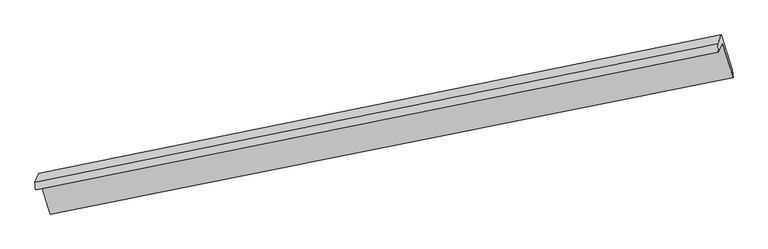
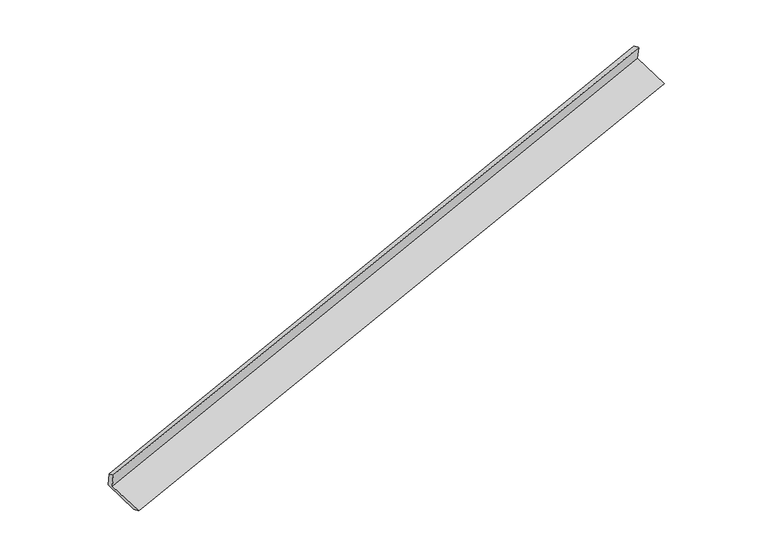
"""IFC4 building model written with IfcOpenShell, lengths in millimetres: proxy geometry."""

from ifc_helpers import new_model, si_unit, frame, origin, place, context, project, spatial, source, transform, mapped, element, save
from ifc_brep_helpers import plane_surface, spline_surface, advanced_brep


def generic_models_2fdd62fc(model_context):
    return source(origin(), model_context, "Body", "AdvancedBrep", [
        advanced_brep(
        [(-9711.0046084, -2840.2102207, 374.3618562), (-9629.8519719, -2651.8981258, -45.4194665), (3834.7596779, 59.3270207, 3857.2892698), (3759.6867122, -114.8773927, 4245.6220484), (-9722.7506587, -2694.6917625, 311.6865902), (3742.327771, 48.5376296, 4189.8900131), (-9645.2754888, -2514.9131108, -89.072162), (3817.1973678, 222.2701321, 3802.6092084), (-9439.9006925, -3169.7455814, -343.1238847), (4033.7979457, -468.3554666, 3534.6710242), (-9420.0192672, -3320.9445279, -304.9856893), (4048.8020508, -623.1418043, 3592.5156239)],
        [
            (0, 1),
            (1, 2),
            (2, 3),
            (3, 0),
            (4, 0),
            (3, 5),
            (5, 4),
            (6, 4),
            (5, 7),
            (7, 6),
            (8, 6),
            (7, 9),
            (9, 8),
            (10, 8),
            (9, 11),
            (11, 10),
            (1, 10),
            (11, 2),
        ],
        [
            plane_surface(frame((-9670.4282902, -2746.0541733, 164.4711949), z_axis=(0.2807887479549396, -0.8947988794550931, -0.3471205040728757), x_axis=(0.1737048809792073, 0.40307661536639877, -0.8985298305948265))),
            spline_surface(1, 1, [[(-9722.7506587, -2694.6917625, 311.6865902), (3742.327771, 48.5376296, 4189.8900131)], [(-9711.0046084, -2840.2102207, 374.3618562), (3759.6867122, -114.8773927, 4245.6220484)]], [2, 2], [2, 2], [0.0, 1.0], [0.0, 1.0]),
            plane_surface(frame((-9684.0130737, -2604.8024366, 111.3072141), z_axis=(-0.28211063758226107, 0.8945290630704604, 0.3467439162915686), x_axis=(-0.17370488097920841, -0.4030766153665206, 0.8985298305947717))),
            plane_surface(frame((-9542.5880907, -2842.3293461, -216.0980233), z_axis=(0.17733968892255378, 0.4038126749795936, -0.8974886953375386), x_axis=(-0.2806445428824814, 0.8948282007716467, 0.34716153538959454))),
            spline_surface(1, 1, [[(-9420.0192672, -3320.9445279, -304.9856893), (4048.8020508, -623.1418043, 3592.5156239)], [(-9439.9006925, -3169.7455814, -343.1238847), (4033.7979457, -468.3554666, 3534.6710242)]], [2, 2], [2, 2], [0.0, 1.0], [0.0, 1.0]),
            plane_surface(frame((-9524.9356195, -2986.4213268, -175.2025779), z_axis=(-0.17866076665769548, -0.40407884383463677, 0.8971068043563977), x_axis=(0.28064454288245805, -0.894828200771676, -0.34716153538953776))),
            plane_surface(frame((3872.7619209, -146.0399802, 3870.4328646), z_axis=(0.9439625283210544, 0.1918638403881344, 0.268557278578033), x_axis=(-0.2806445428824814, 0.8948282007716467, 0.34716153538959454))),
            plane_surface(frame((-9594.8004479, -2865.4005549, -16.092126), z_axis=(-0.9439625283210206, -0.19186384038826407, -0.26855727857805944), x_axis=(-0.17370488097920903, -0.4030766153664461, 0.898529830594805))),
        ],
        [
            (0, [[1, 2, 3, 4]]),
            (1, [[5, -4, 6, 7]]),
            (2, [[8, -7, 9, 10]]),
            (3, [[11, -10, 12, 13]]),
            (4, [[14, -13, 15, 16]]),
            (5, [[17, -16, 18, -2]]),
            (6, [[-12, -9, -6, -3, -18, -15]]),
            (7, [[-1, -5, -8, -11, -14, -17]]),
        ],
    ),
    ])


if __name__ == "__main__":
    model = new_model("IFC4")
    model_context = context("Model", 3, world=origin())
    ifc_project = project(units=[si_unit("LENGTHUNIT", "METRE", prefix="MILLI")], contexts=[model_context])
    site = spatial("IfcSite", under=ifc_project)
    building = spatial("IfcBuilding", under=site)
    placement = place(None, origin())
    generic_models_shape = generic_models_2fdd62fc(model_context)
    element("IfcBuildingElementProxy", 1, Name="Generic Models", at=placement, inside=building, context=model_context, shape_type="MappedRepresentation", body=[
        mapped(generic_models_shape, transform((0.0, 0.0, 0.0), x_axis=(1.0, 0.0, 0.0), y_axis=(0.0, 1.0, 0.0), z_axis=(0.0, 0.0, 1.0))),
    ])
    save(model, "model.ifc")
